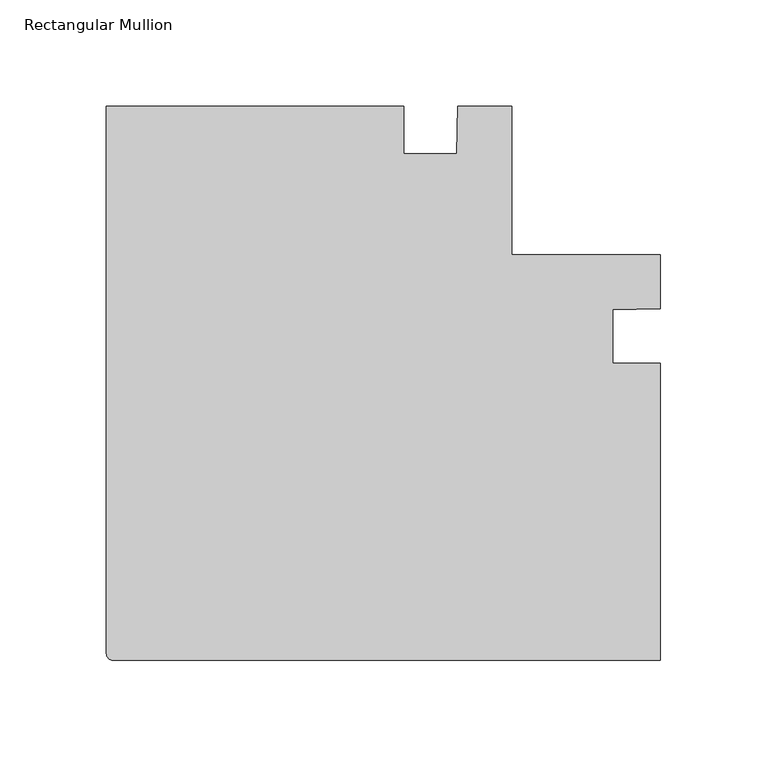
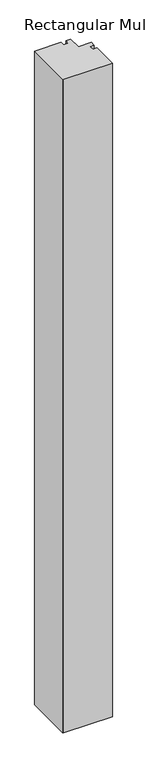
"""IFC4 building model written with IfcOpenShell, lengths in millimetres: member geometry, Rectangular Mullion."""

from ifc_helpers import new_model, si_unit, point, frame, frame_2d, origin, place, context, project, spatial, polyline, circle_curve, trimmed, segment, composite_curve, outline, extrude, source, transform, mapped, element, save


def rectangular_mullion_254efef8(model_context):
    return source(origin(), model_context, "Body", "SweptSolid", [
        extrude(outline(composite_curve([segment(trimmed(circle_curve(frame_2d((-257.175, -136.525)), 3.175), [point((-257.175, -139.7))], [point((-260.35, -136.525))], False, "CARTESIAN"), True, "CONTINUOUS"), segment(polyline([(-260.35, -136.525), (-260.35, 120.65), (-120.6499944, 120.65), (-120.6499944, 98.4251132), (-95.5676227, 98.4251132)]), True, "CONTINUOUS"), segment(trimmed(circle_curve(frame_2d((-556.2578141, 116.3492482)), 461.0387479), [point((-95.5676227, 98.4251132))], [point((-95.2391262, 120.65))], True, "CARTESIAN"), True, "CONTINUOUS"), segment(polyline([(-95.2391262, 120.65), (-69.8499944, 120.65), (-69.8499944, 50.8000056), (0.0, 50.8000056), (0.0, 25.4108738)]), True, "CONTINUOUS"), segment(trimmed(circle_curve(frame_2d((-4.3007518, -435.6078141)), 461.0387479), [point((0.0, 25.4108738))], [point((-22.2248868, 25.0823773))], True, "CARTESIAN"), True, "CONTINUOUS"), segment(polyline([(-22.2248868, 25.0823773), (-22.2248868, 5.6e-06), (0.0, 5.6e-06), (0.0, -139.7), (-257.175, -139.7)]), True, "CONTINUOUS")], self_intersect=False)), frame((0.0, 0.0, -3657.6), z_axis=(0.0, 0.0, 1.0), x_axis=(1.0, 0.0, 0.0)), (0.0, 0.0, 1.0), 3657.6),
    ])


if __name__ == "__main__":
    model = new_model("IFC4")
    model_context = context("Model", 3, world=origin())
    ifc_project = project(units=[si_unit("LENGTHUNIT", "METRE", prefix="MILLI")], contexts=[model_context])
    site = spatial("IfcSite", under=ifc_project)
    building = spatial("IfcBuilding", under=site)
    placement = place(None, origin())
    rectangular_mullion_shape = rectangular_mullion_254efef8(model_context)
    element("IfcMember", 1, ObjectType="Rectangular Mullion", at=placement, inside=building, context=model_context, shape_type="MappedRepresentation", body=[
        mapped(rectangular_mullion_shape, transform((0.0, 0.0, 0.0), x_axis=(1.0, 0.0, 0.0), y_axis=(0.0, 1.0, 0.0), z_axis=(0.0, 0.0, 1.0))),
    ])
    save(model, "model.ifc")
